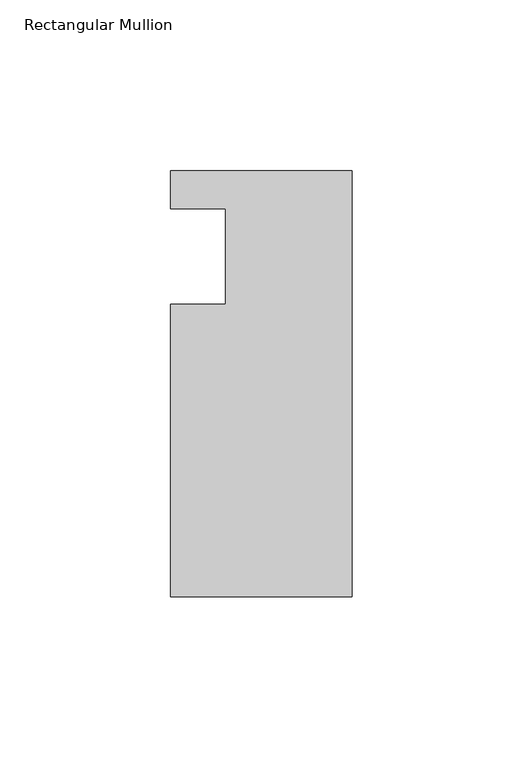
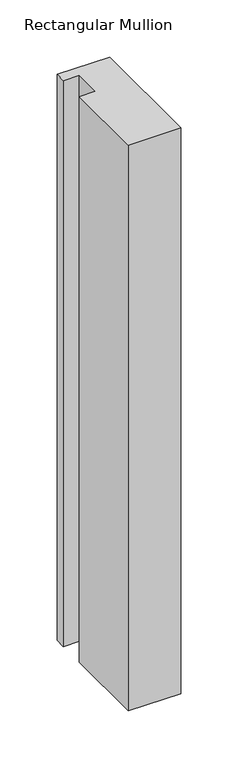
"""IFC4 building model written with IfcOpenShell, lengths in millimetres: member geometry, Rectangular Mullion."""

from ifc_helpers import new_model, si_unit, frame, origin, place, context, project, spatial, polyline, outline, extrude, source, transform, mapped, element, save


def rectangular_mullion_ea8b9ef4(model_context):
    return source(origin(), model_context, "Body", "SweptSolid", [
        extrude(outline(polyline([(-37.0, 13.9999453), (-53.0, 13.9999453), (-53.0, 24.9999453), (0.0, 24.9999453), (0.0, -99.5000547), (-53.0, -99.5000547), (-53.0, -14.0000547), (-37.0, -14.0000547), (-37.0, 13.9999453)])), frame((0.0, 0.0, -604.9120817), z_axis=(0.0, 0.0, 1.0), x_axis=(1.0, 0.0, 0.0)), (0.0, 0.0, 1.0), 604.9120817),
    ])


if __name__ == "__main__":
    model = new_model("IFC4")
    model_context = context("Model", 3, world=origin())
    ifc_project = project(units=[si_unit("LENGTHUNIT", "METRE", prefix="MILLI")], contexts=[model_context])
    site = spatial("IfcSite", under=ifc_project)
    building = spatial("IfcBuilding", under=site)
    placement = place(None, origin())
    rectangular_mullion_shape = rectangular_mullion_ea8b9ef4(model_context)
    element("IfcMember", 1, ObjectType="Rectangular Mullion", at=placement, inside=building, context=model_context, shape_type="MappedRepresentation", body=[
        mapped(rectangular_mullion_shape, transform((0.0, 0.0, 0.0), x_axis=(1.0, 0.0, 0.0), y_axis=(0.0, 1.0, 0.0), z_axis=(0.0, 0.0, 1.0))),
    ])
    save(model, "model.ifc")
